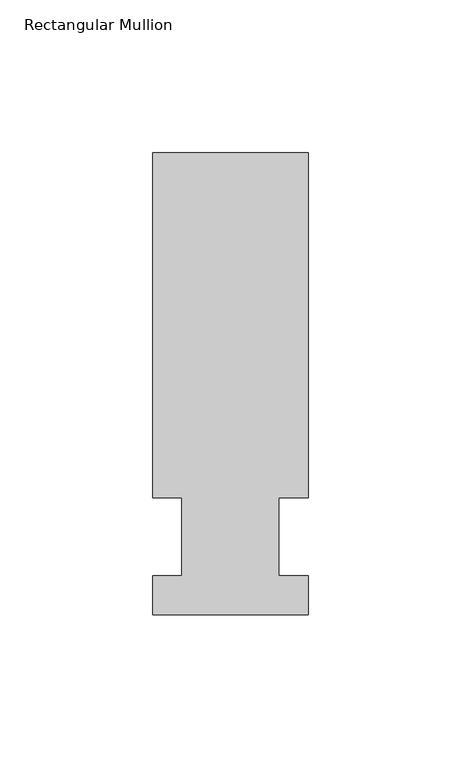
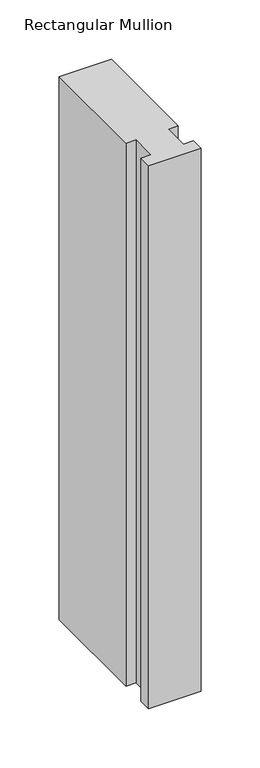
"""IFC4 building model written with IfcOpenShell, lengths in millimetres: member geometry, Rectangular Mullion."""

from ifc_helpers import new_model, si_unit, frame, origin, place, context, project, spatial, polyline, outline, extrude, source, transform, mapped, element, save


def rectangular_mullion_b3cdee71(model_context):
    return source(origin(), model_context, "Body", "SweptSolid", [
        extrude(outline(polyline([(-25.4, -25.58415), (-25.4, -12.7), (-15.875, -12.7), (-15.875, 12.7), (-25.4, 12.7), (-25.4, 125.59665), (25.4, 125.59665), (25.4, 12.7), (15.875, 12.7), (15.875, -12.7), (25.4, -12.7), (25.4, -25.58415), (-25.4, -25.58415)])), frame((0.0, 0.0, -558.8), z_axis=(0.0, 0.0, 1.0), x_axis=(1.0, 0.0, 0.0)), (0.0, 0.0, 1.0), 558.8),
    ])


if __name__ == "__main__":
    model = new_model("IFC4")
    model_context = context("Model", 3, world=origin())
    ifc_project = project(units=[si_unit("LENGTHUNIT", "METRE", prefix="MILLI")], contexts=[model_context])
    site = spatial("IfcSite", under=ifc_project)
    building = spatial("IfcBuilding", under=site)
    placement = place(None, origin())
    rectangular_mullion_shape = rectangular_mullion_b3cdee71(model_context)
    element("IfcMember", 1, ObjectType="Rectangular Mullion", at=placement, inside=building, context=model_context, shape_type="MappedRepresentation", body=[
        mapped(rectangular_mullion_shape, transform((0.0, 0.0, 0.0), x_axis=(1.0, 0.0, 0.0), y_axis=(0.0, 1.0, 0.0), z_axis=(0.0, 0.0, 1.0))),
    ])
    save(model, "model.ifc")
